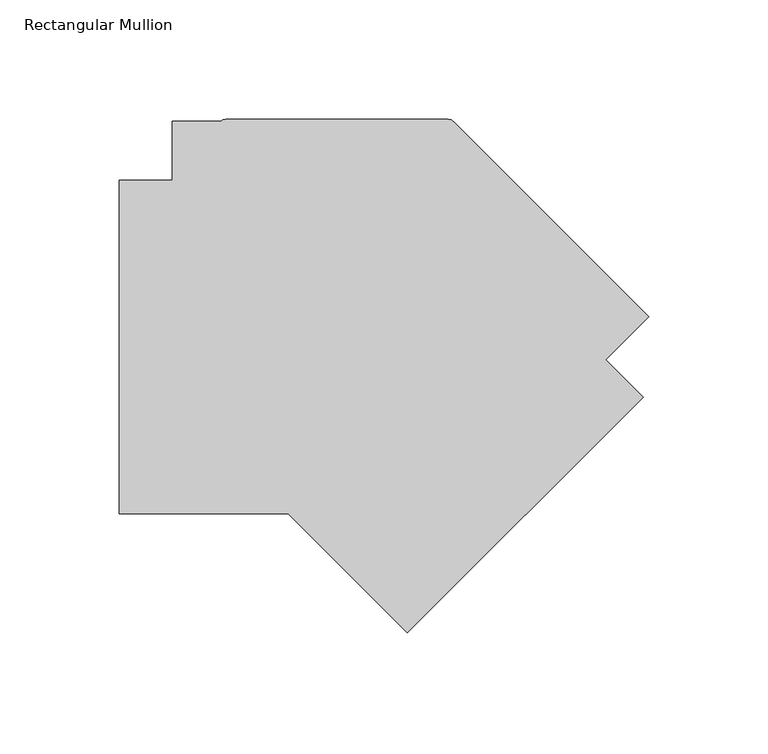
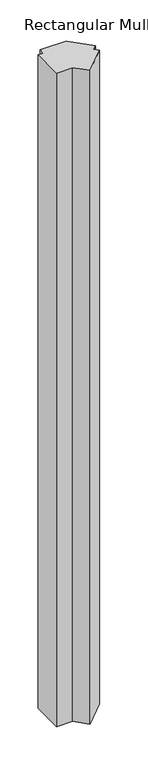
"""IFC4 building model written with IfcOpenShell, lengths in millimetres: member geometry, Rectangular Mullion."""

from ifc_helpers import new_model, si_unit, point, frame, frame_2d, origin, place, context, project, spatial, polyline, circle_curve, trimmed, segment, composite_curve, outline, extrude, source, transform, mapped, element, save


def rectangular_mullion_27ca2866(model_context):
    return source(origin(), model_context, "Body", "SweptSolid", [
        extrude(outline(composite_curve([segment(polyline([(-101.027954, -127.4186558), (-150.9806286, -77.4659812), (-221.6243786, -77.4659812), (-221.6243786, 62.2340138), (-199.3994918, 62.2340138), (-199.3994918, 86.8840272), (-179.3277755, 86.7920362)]), True, "CONTINUOUS"), segment(trimmed(circle_curve(frame_2d((-177.1742654, 84.4590082)), 3.175), [point((-179.3277755, 86.7920362))], [point((-177.1742654, 87.6340082))], False, "CARTESIAN"), True, "CONTINUOUS"), segment(polyline([(-177.1742654, 87.6340082), (-83.9091019, 87.6340082)]), True, "CONTINUOUS"), segment(trimmed(circle_curve(frame_2d((-83.9091019, 84.4590082)), 3.175), [point((-83.9091019, 87.6340082))], [point((-81.6640378, 86.7040723))], False, "CARTESIAN"), True, "CONTINUOUS"), segment(polyline([(-81.6640378, 86.7040723), (0.0, 5.0400344), (-17.9605083, -12.9204739), (-2.2451402, -28.6358421), (-101.027954, -127.4186558)]), True, "CONTINUOUS")], self_intersect=False)), frame((0.0, 0.0, -3048.0), z_axis=(0.0, 0.0, 1.0), x_axis=(1.0, 0.0, 0.0)), (0.0, 0.0, 1.0), 3048.0),
    ])


if __name__ == "__main__":
    model = new_model("IFC4")
    model_context = context("Model", 3, world=origin())
    ifc_project = project(units=[si_unit("LENGTHUNIT", "METRE", prefix="MILLI")], contexts=[model_context])
    site = spatial("IfcSite", under=ifc_project)
    building = spatial("IfcBuilding", under=site)
    placement = place(None, origin())
    rectangular_mullion_shape = rectangular_mullion_27ca2866(model_context)
    element("IfcMember", 1, ObjectType="Rectangular Mullion", at=placement, inside=building, context=model_context, shape_type="MappedRepresentation", body=[
        mapped(rectangular_mullion_shape, transform((0.0, 0.0, 0.0), x_axis=(1.0, 0.0, 0.0), y_axis=(0.0, 1.0, 0.0), z_axis=(0.0, 0.0, 1.0))),
    ])
    save(model, "model.ifc")
